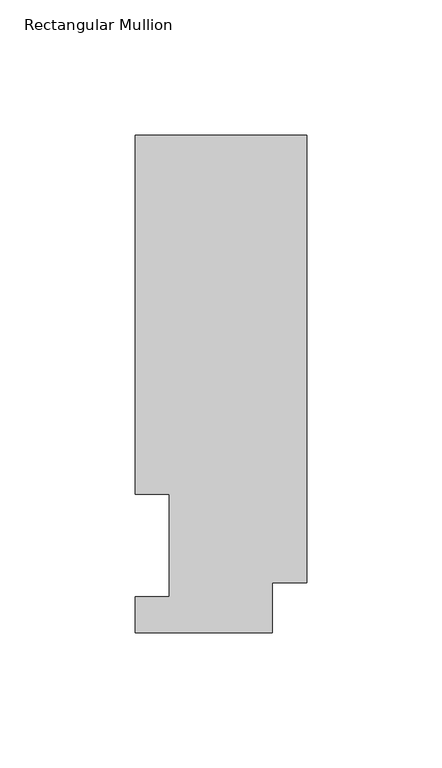
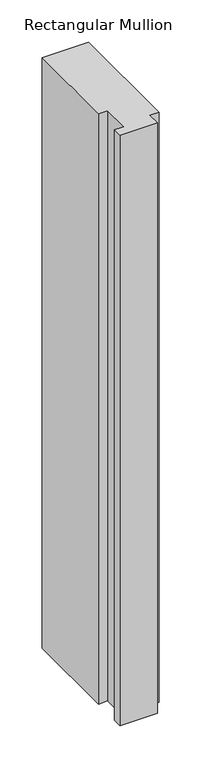
"""IFC4 building model written with IfcOpenShell, lengths in millimetres: member geometry, Rectangular Mullion."""

from ifc_helpers import new_model, si_unit, frame, origin, place, context, project, spatial, polyline, outline, extrude, source, transform, mapped, element, save


def rectangular_mullion_5727b5e0(model_context):
    return source(origin(), model_context, "Body", "SweptSolid", [
        extrude(outline(polyline([(-63.5, 184.2396938), (0.0, 184.2396938), (0.0, 18.5222276), (-12.7, 18.5222276), (-12.7, 0.0134937), (-63.5, 0.0134937), (-63.5, 13.1960938), (-50.8, 13.1960938), (-50.8, 51.2960938), (-63.5, 51.2960938), (-63.5, 184.2396938)])), frame((0.0, 0.0, -850.9), z_axis=(0.0, 0.0, 1.0), x_axis=(1.0, 0.0, 0.0)), (0.0, 0.0, 1.0), 850.9),
    ])


if __name__ == "__main__":
    model = new_model("IFC4")
    model_context = context("Model", 3, world=origin())
    ifc_project = project(units=[si_unit("LENGTHUNIT", "METRE", prefix="MILLI")], contexts=[model_context])
    site = spatial("IfcSite", under=ifc_project)
    building = spatial("IfcBuilding", under=site)
    placement = place(None, origin())
    rectangular_mullion_shape = rectangular_mullion_5727b5e0(model_context)
    element("IfcMember", 1, ObjectType="Rectangular Mullion", at=placement, inside=building, context=model_context, shape_type="MappedRepresentation", body=[
        mapped(rectangular_mullion_shape, transform((0.0, 0.0, 0.0), x_axis=(1.0, 0.0, 0.0), y_axis=(0.0, 1.0, 0.0), z_axis=(0.0, 0.0, 1.0))),
    ])
    save(model, "model.ifc")
